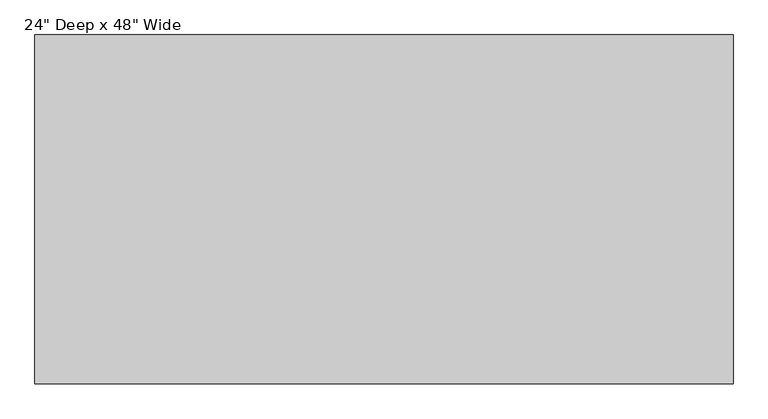
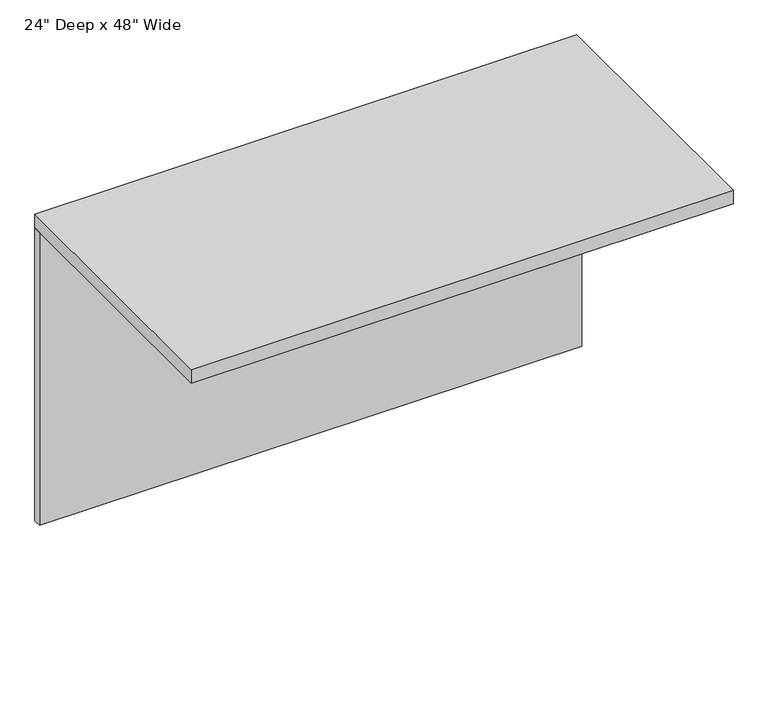
"""IFC4 building model written with IfcOpenShell, lengths in millimetres: furniture geometry."""

from ifc_helpers import new_model, si_unit, frame, origin, place, context, project, spatial, polyline, outline, extrude, source, transform, mapped, element, save


def furniture_db3be8e6(model_context):
    return source(origin(), model_context, "Body", "SweptSolid", [
        extrude(outline(polyline([(1347.7875, -254.0), (1347.7875, -273.05), (128.5875, -273.05), (128.5875, -254.0), (1347.7875, -254.0)])), frame((0.0, 0.0, 7.9375), z_axis=(0.0, 0.0, 1.0), x_axis=(1.0, 0.0, 0.0)), (0.0, 0.0, 1.0), 696.9125),
        extrude(outline(polyline([(1347.7875, -254.0), (1347.7875, -863.6), (128.5875, -863.6), (128.5875, -254.0), (1347.7875, -254.0)])), frame((0.0, 0.0, 704.85), z_axis=(0.0, 0.0, 1.0), x_axis=(1.0, 0.0, 0.0)), (0.0, 0.0, 1.0), 31.75),
    ])


if __name__ == "__main__":
    model = new_model("IFC4")
    model_context = context("Model", 3, world=origin())
    ifc_project = project(units=[si_unit("LENGTHUNIT", "METRE", prefix="MILLI")], contexts=[model_context])
    site = spatial("IfcSite", under=ifc_project)
    building = spatial("IfcBuilding", under=site)
    placement = place(None, origin())
    furniture_shape = furniture_db3be8e6(model_context)
    element("IfcFurniture", 1, ObjectType="24\" Deep x 48\" Wide", at=placement, inside=building, context=model_context, shape_type="MappedRepresentation", body=[
        mapped(furniture_shape, transform((0.0, 0.0, 0.0), x_axis=(1.0, 0.0, 0.0), y_axis=(0.0, 1.0, 0.0), z_axis=(0.0, 0.0, 1.0))),
    ])
    save(model, "model.ifc")
